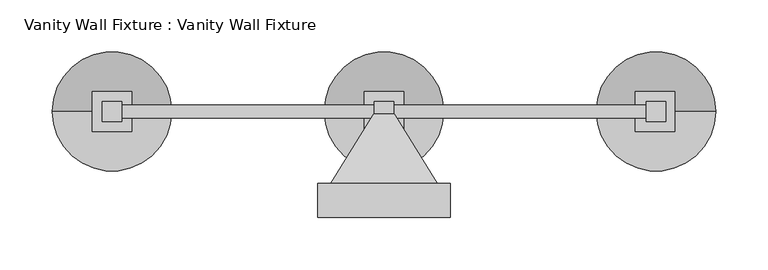
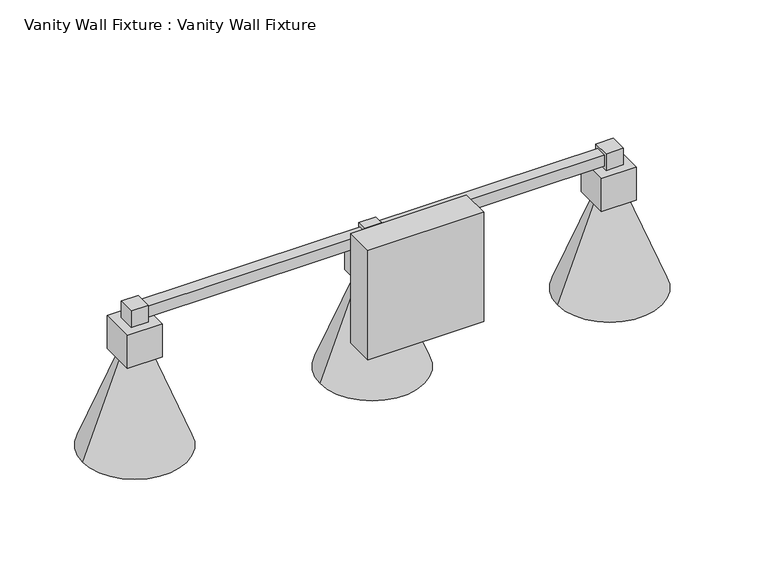
"""IFC4 building model written with IfcOpenShell, lengths in millimetres: light fixture geometry, Vanity Wall Fixture : Vanity Wall Fixture."""

from ifc_helpers import new_model, si_unit, frame, origin, place, context, project, spatial, polyline, circle_curve, outline, extrude, faceted_brep, source, transform, mapped, element, save
from ifc_brep_helpers import plane_surface, revolved_surface, advanced_brep


def vanity_wall_fixture_vanity_wall_fixture_d1e3e2ce(model_context):
    return source(origin(), model_context, "Body", "SolidModel", [
        advanced_brep(
        [(223.9943373, 198.4375, 1811.7225675), (281.1443373, 198.4375, 1811.7225675), (166.8443373, 198.4375, 1811.7225675), (208.1193373, 198.4375, 1918.900134), (239.8693373, 198.4375, 1918.900134), (223.9943373, 198.4375, 1918.900134)],
        [
            (0, 1),
            (1, 2, circle_curve(frame((223.9943373, 198.4375, 1811.7225675), z_axis=(0.0, 0.0, -1.0), x_axis=(1.0, 0.0, 0.0)), 57.15)),
            (2, 0),
            (2, 1, circle_curve(frame((223.9943373, 198.4375, 1811.7225675), z_axis=(0.0, 0.0, -1.0), x_axis=(1.0, 0.0, 0.0)), 57.15)),
            (3, 4, circle_curve(frame((223.9943373, 198.4375, 1918.900134), z_axis=(0.0, 0.0, 1.0), x_axis=(1.0, 0.0, 0.0)), 15.875)),
            (4, 5),
            (5, 3),
            (4, 3, circle_curve(frame((223.9943373, 198.4375, 1918.900134), z_axis=(0.0, 0.0, 1.0), x_axis=(1.0, 0.0, 0.0)), 15.875)),
            (1, 4),
            (3, 2),
        ],
        [
            plane_surface(frame((223.9943373, 198.4375, 1811.7225675), z_axis=(0.0, 0.0, -1.0), x_axis=(1.0, 0.0, 0.0))),
            plane_surface(frame((223.9943373, 198.4375, 1918.900134), z_axis=(0.0, 0.0, 1.0), x_axis=(1.0, 0.0, 0.0))),
            revolved_surface(polyline([(239.8693373, 198.4375, 1918.900134), (281.1443373, 198.4375, 1811.7225675)]), (223.9943373, 198.4375, 1928.6682179), (0.0, 0.0, -1.0)),
        ],
        [
            (0, [[1, 2, 3]]),
            (0, [[-3, 4, -1]]),
            (1, [[5, 6, 7]]),
            (1, [[8, -7, -6]]),
            (2, [[-2, 9, -5, 10]]),
            (2, [[-4, -10, -8, -9]]),
        ],
    ),
        advanced_brep(
        [(-36.3556627, 198.4375, 1811.7225675), (20.7943373, 198.4375, 1811.7225675), (-93.5056627, 198.4375, 1811.7225675), (-52.2306627, 198.4375, 1918.900134), (-20.4806627, 198.4375, 1918.900134), (-36.3556627, 198.4375, 1918.900134)],
        [
            (0, 1),
            (1, 2, circle_curve(frame((-36.3556627, 198.4375, 1811.7225675), z_axis=(0.0, 0.0, -1.0), x_axis=(1.0, 0.0, 0.0)), 57.15)),
            (2, 0),
            (2, 1, circle_curve(frame((-36.3556627, 198.4375, 1811.7225675), z_axis=(0.0, 0.0, -1.0), x_axis=(1.0, 0.0, 0.0)), 57.15)),
            (3, 4, circle_curve(frame((-36.3556627, 198.4375, 1918.900134), z_axis=(0.0, 0.0, 1.0), x_axis=(1.0, 0.0, 0.0)), 15.875)),
            (4, 5),
            (5, 3),
            (4, 3, circle_curve(frame((-36.3556627, 198.4375, 1918.900134), z_axis=(0.0, 0.0, 1.0), x_axis=(1.0, 0.0, 0.0)), 15.875)),
            (1, 4),
            (3, 2),
        ],
        [
            plane_surface(frame((-36.3556627, 198.4375, 1811.7225675), z_axis=(0.0, 0.0, -1.0), x_axis=(1.0, 0.0, 0.0))),
            plane_surface(frame((-36.3556627, 198.4375, 1918.900134), z_axis=(0.0, 0.0, 1.0), x_axis=(1.0, 0.0, 0.0))),
            revolved_surface(polyline([(-20.4806627, 198.4375, 1918.900134), (20.7943373, 198.4375, 1811.7225675)]), (-36.3556627, 198.4375, 1928.6682179), (0.0, 0.0, -1.0)),
        ],
        [
            (0, [[1, 2, 3]]),
            (0, [[-3, 4, -1]]),
            (1, [[5, 6, 7]]),
            (1, [[8, -7, -6]]),
            (2, [[-2, 9, -5, 10]]),
            (2, [[-4, -10, -8, -9]]),
        ],
    ),
        advanced_brep(
        [(-296.7056627, 198.4375, 1811.7225675), (-239.5556627, 198.4375, 1811.7225675), (-353.8556627, 198.4375, 1811.7225675), (-312.5806627, 198.4375, 1918.900134), (-280.8306627, 198.4375, 1918.900134), (-296.7056627, 198.4375, 1918.900134)],
        [
            (0, 1),
            (1, 2, circle_curve(frame((-296.7056627, 198.4375, 1811.7225675), z_axis=(0.0, 0.0, -1.0), x_axis=(1.0, 0.0, 0.0)), 57.15)),
            (2, 0),
            (2, 1, circle_curve(frame((-296.7056627, 198.4375, 1811.7225675), z_axis=(0.0, 0.0, -1.0), x_axis=(1.0, 0.0, 0.0)), 57.15)),
            (3, 4, circle_curve(frame((-296.7056627, 198.4375, 1918.900134), z_axis=(0.0, 0.0, 1.0), x_axis=(1.0, 0.0, 0.0)), 15.875)),
            (4, 5),
            (5, 3),
            (4, 3, circle_curve(frame((-296.7056627, 198.4375, 1918.900134), z_axis=(0.0, 0.0, 1.0), x_axis=(1.0, 0.0, 0.0)), 15.875)),
            (1, 4),
            (3, 2),
        ],
        [
            plane_surface(frame((-296.7056627, 198.4375, 1811.7225675), z_axis=(0.0, 0.0, -1.0), x_axis=(1.0, 0.0, 0.0))),
            plane_surface(frame((-296.7056627, 198.4375, 1918.900134), z_axis=(0.0, 0.0, 1.0), x_axis=(1.0, 0.0, 0.0))),
            revolved_surface(polyline([(-280.8306627, 198.4375, 1918.900134), (-239.5556627, 198.4375, 1811.7225675)]), (-296.7056627, 198.4375, 1928.6682179), (0.0, 0.0, -1.0)),
        ],
        [
            (0, [[1, 2, 3]]),
            (0, [[-3, 4, -1]]),
            (1, [[5, 6, 7]]),
            (1, [[8, -7, -6]]),
            (2, [[-2, 9, -5, 10]]),
            (2, [[-4, -10, -8, -9]]),
        ],
    ),
        extrude(outline(polyline([(-45.8806627, 207.9625), (-26.8306627, 207.9625), (-26.8306627, 188.9125), (-45.8806627, 188.9125), (-45.8806627, 207.9625)])), frame((0.0, 0.0, 1957.000134), z_axis=(0.0, 0.0, 1.0), x_axis=(1.0, 0.0, 0.0)), (0.0, 0.0, 1.0), 19.05),
        extrude(outline(polyline([(-55.4056627, 217.4875), (-17.3056627, 217.4875), (-17.3056627, 179.3875), (-55.4056627, 179.3875), (-55.4056627, 217.4875)])), frame((0.0, 0.0, 1918.900134), z_axis=(0.0, 0.0, 1.0), x_axis=(1.0, 0.0, 0.0)), (0.0, 0.0, 1.0), 38.1),
        extrude(outline(polyline([(-296.7056627, 204.7875), (223.9943373, 204.7875), (223.9943373, 192.0875), (-296.7056627, 192.0875), (-296.7056627, 204.7875)])), frame((0.0, 0.0, 1960.175134), z_axis=(0.0, 0.0, 1.0), x_axis=(1.0, 0.0, 0.0)), (0.0, 0.0, 1.0), 12.7),
        faceted_brep([(-99.8556627, 129.5444026, 2030.025134), (27.1443373, 129.5444026, 2030.025134), (27.1443373, 129.5444026, 1903.025134), (-99.8556627, 129.5444026, 1903.025134), (-99.8556627, 96.8375, 2030.025134), (-99.8556627, 96.8375, 1903.025134), (27.1443373, 96.8375, 1903.025134), (27.1443373, 96.8375, 2030.025134)], [[[0, 1, 2, 3]], [[4, 5, 6, 7]], [[1, 0, 4, 7]], [[2, 1, 7, 6]], [[3, 2, 6, 5]], [[0, 3, 5, 4]]]),
        faceted_brep([(214.4693373, 207.9625, 1957.000134), (214.4693373, 207.9625, 1976.050134), (233.5193373, 207.9625, 1976.050134), (233.5193373, 207.9625, 1957.000134), (233.5193373, 188.9125, 1957.000134), (233.5193373, 188.9125, 1976.050134), (214.4693373, 188.9125, 1976.050134), (214.4693373, 188.9125, 1957.000134), (242.044135, 217.4875, 1918.900134), (203.944135, 217.4875, 1918.900134), (203.944135, 217.4875, 1957.000134), (242.044135, 217.4875, 1957.000134), (242.044135, 179.3875, 1918.900134), (242.044135, 179.3875, 1957.000134), (203.944135, 179.3875, 1957.000134), (203.944135, 179.3875, 1918.900134)], [[[0, 1, 2, 3]], [[4, 5, 6, 7]], [[1, 0, 7, 6]], [[2, 1, 6, 5]], [[3, 2, 5, 4]], [[8, 9, 10, 11]], [[12, 13, 14, 15]], [[9, 8, 12, 15]], [[10, 9, 15, 14]], [[11, 10, 14, 13], [0, 3, 4, 7]], [[8, 11, 13, 12]]]),
        faceted_brep([(-277.6556627, 217.4875, 1918.900134), (-315.7556627, 217.4875, 1918.900134), (-315.7556627, 217.4875, 1957.000134), (-277.6556627, 217.4875, 1957.000134), (-277.6556627, 179.3875, 1918.900134), (-277.6556627, 179.3875, 1957.000134), (-315.7556627, 179.3875, 1957.000134), (-315.7556627, 179.3875, 1918.900134), (-306.2306627, 207.9625, 1957.000134), (-287.1806627, 207.9625, 1957.000134), (-287.1806627, 188.9125, 1957.000134), (-306.2306627, 188.9125, 1957.000134), (-306.2306627, 207.9625, 1976.050134), (-287.1806627, 207.9625, 1976.050134), (-287.1806627, 188.9125, 1976.050134), (-306.2306627, 188.9125, 1976.050134)], [[[0, 1, 2, 3]], [[4, 5, 6, 7]], [[1, 0, 4, 7]], [[2, 1, 7, 6]], [[3, 2, 6, 5], [8, 9, 10, 11]], [[0, 3, 5, 4]], [[8, 12, 13, 9]], [[10, 14, 15, 11]], [[12, 8, 11, 15]], [[13, 12, 15, 14]], [[9, 13, 14, 10]]]),
        faceted_brep([(-44.9093547, 198.4375, 1957.9714419), (-44.9093547, 198.4375, 1975.0788261), (-27.8019706, 198.4375, 1975.0788261), (-27.8019706, 198.4375, 1957.9714419), (-87.1556627, 129.5444026, 1915.725134), (14.4443373, 129.5444026, 1915.725134), (14.4443373, 129.5444026, 2017.325134), (-87.1556627, 129.5444026, 2017.325134)], [[[0, 1, 2, 3]], [[4, 5, 6, 7]], [[4, 7, 1, 0]], [[7, 6, 2, 1]], [[6, 5, 3, 2]], [[5, 4, 0, 3]]]),
    ])


if __name__ == "__main__":
    model = new_model("IFC4")
    model_context = context("Model", 3, world=origin())
    ifc_project = project(units=[si_unit("LENGTHUNIT", "METRE", prefix="MILLI")], contexts=[model_context])
    site = spatial("IfcSite", under=ifc_project)
    building = spatial("IfcBuilding", under=site)
    placement = place(None, origin())
    vanity_wall_fixture_vanity_wall_fixture_shape = vanity_wall_fixture_vanity_wall_fixture_d1e3e2ce(model_context)
    element("IfcLightFixture", 1, ObjectType="Vanity Wall Fixture : Vanity Wall Fixture", at=placement, inside=building, context=model_context, shape_type="MappedRepresentation", body=[
        mapped(vanity_wall_fixture_vanity_wall_fixture_shape, transform((0.0, 0.0, 0.0), x_axis=(1.0, 0.0, 0.0), y_axis=(0.0, 1.0, 0.0), z_axis=(0.0, 0.0, 1.0))),
    ])
    save(model, "model.ifc")
